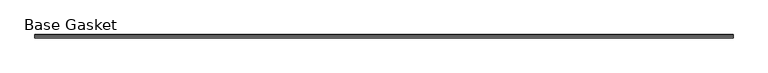
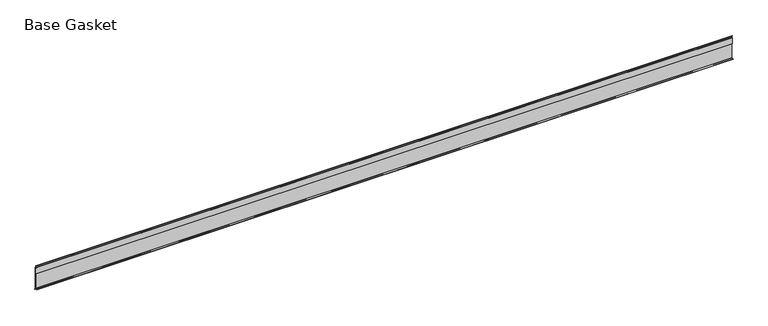
"""IFC4 building model written with IfcOpenShell, lengths in millimetres: furniture geometry, Base Gasket."""

from ifc_helpers import new_model, si_unit, frame, origin, place, context, project, spatial, polyline, outline, extrude, source, transform, mapped, element, save


def base_gasket_6e2a66ef(model_context):
    return source(origin(), model_context, "Body", "SweptSolid", [
        extrude(outline(polyline([(3.7283812, 98.4568417), (3.7283812, 4.3498477), (7.4222115, 0.6560174), (7.8482342, 0.0), (6.8281054, 0.3520979), (2.2043812, 4.3498477), (2.1334222, 6.3818476), (-6.2405171, 6.3818476), (-6.2405171, 7.9398773), (2.2043812, 7.9398773), (2.2043812, 71.4693447), (1.4106313, 71.4693447), (1.4106313, 96.8693477), (2.2043812, 96.8693477), (2.2043812, 98.4568417), (0.6755308, 104.4162708), (0.6755308, 105.2002997), (1.1891543, 104.587663), (3.7283812, 98.4568417)])), frame((-1527.8982117, 0.0, 0.0), z_axis=(1.0, 0.0, 0.0), x_axis=(0.0, 1.0, 0.0)), (0.0, 0.0, 1.0), 2875.8327279),
    ])


if __name__ == "__main__":
    model = new_model("IFC4")
    model_context = context("Model", 3, world=origin())
    ifc_project = project(units=[si_unit("LENGTHUNIT", "METRE", prefix="MILLI")], contexts=[model_context])
    site = spatial("IfcSite", under=ifc_project)
    building = spatial("IfcBuilding", under=site)
    placement = place(None, origin())
    base_gasket_shape = base_gasket_6e2a66ef(model_context)
    element("IfcFurniture", 1, ObjectType="Base Gasket", at=placement, inside=building, context=model_context, shape_type="MappedRepresentation", body=[
        mapped(base_gasket_shape, transform((0.0, 0.0, 0.0), x_axis=(1.0, 0.0, 0.0), y_axis=(0.0, 1.0, 0.0), z_axis=(0.0, 0.0, 1.0))),
    ])
    save(model, "model.ifc")
